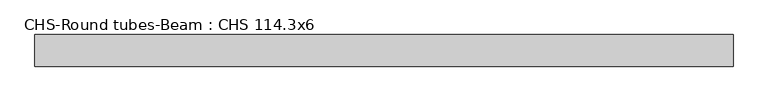
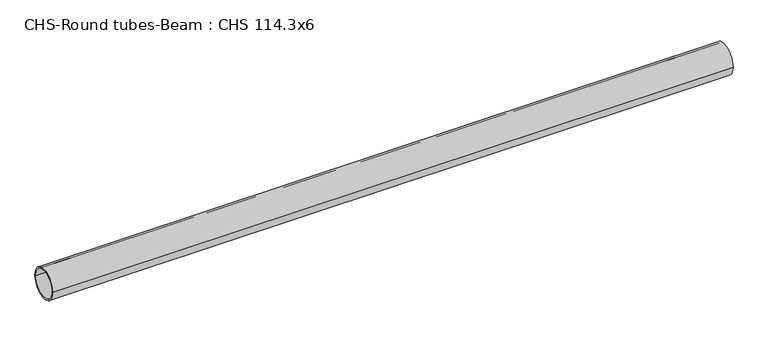
"""IFC4 building model written with IfcOpenShell, lengths in millimetres: beam geometry, CHS-Round tubes-Beam : CHS 114.3x6."""

import ifcopenshell
import ifcopenshell.guid

model = None  # the IFC model being written
_history = None  # IfcOwnerHistory: only IFC2X3 demands one
_inside = {}  # id of a spatial element -> (the spatial element, [elements in it])
_under = {}  # id of a project, library or spatial element -> (it, [spatial elements below it])
_declared = {}  # id of a project -> (the project, [libraries it declares])
_typed = {}  # id of a type object -> (the type object, [elements of that type])
_made_of = {}  # id of a material, layer set ... -> (it, [elements and type objects made of it])


def new_model(schema):
    """Start an empty IFC model of exactly this schema.

    Asked for "IFC4X3", IfcOpenShell would pick the latest addendum, in which some entities
    have other attributes; the version numbers below select the first issue.
    IFC2X3 requires an IfcOwnerHistory on every rooted entity: one is made here for all.
    """
    global model, _history
    if schema == "IFC4X3":
        model = ifcopenshell.file(schema_version=(4, 3, 0, 0))
    else:
        model = ifcopenshell.file(schema=schema)
    _inside.clear()
    _under.clear()
    _declared.clear()
    _typed.clear()
    _made_of.clear()
    _history = None
    if model.schema == "IFC2X3":
        org = make("IfcOrganization", Name="unknown")
        user = make(
            "IfcPersonAndOrganization",
            ThePerson=make("IfcPerson", FamilyName="unknown"),
            TheOrganization=org,
        )
        app = make(
            "IfcApplication",
            ApplicationDeveloper=org,
            Version="unknown",
            ApplicationFullName="unknown",
            ApplicationIdentifier="unknown",
        )
        _history = make(
            "IfcOwnerHistory",
            OwningUser=user,
            OwningApplication=app,
            ChangeAction="ADDED",
            CreationDate=0,
        )
    return model


def make(cls, **values):
    """One entity of the class cls with the attributes given. An attribute that is None is left unset."""
    return model.create_entity(
        cls, **{name: value for name, value in values.items() if value is not None}
    )


def rooted(cls, **values):
    """An entity with a GlobalId (a new one), such as an element, a storey or a relation."""
    return make(cls, GlobalId=ifcopenshell.guid.new(), OwnerHistory=_history, **values)


def si_unit(unit_type, name, prefix=None):
    """IfcSIUnit, for example si_unit("LENGTHUNIT", "METRE", prefix="MILLI")."""
    return make("IfcSIUnit", UnitType=unit_type, Prefix=prefix, Name=name)


def assignment(units):
    """IfcUnitAssignment: the units of a project."""
    return None if units is None else make("IfcUnitAssignment", Units=units)


def point(xyz):
    """IfcCartesianPoint."""
    return None if xyz is None else make("IfcCartesianPoint", Coordinates=xyz)


def direction(xyz):
    """IfcDirection."""
    return None if xyz is None else make("IfcDirection", DirectionRatios=xyz)


def frame(location, z_axis=None, x_axis=None):
    """IfcAxis2Placement3D, a coordinate frame: its origin and axes. An axis left out is left unset."""
    return make(
        "IfcAxis2Placement3D",
        Location=point(location),
        Axis=direction(z_axis),
        RefDirection=direction(x_axis),
    )


def frame_2d(location, x_axis=None):
    """IfcAxis2Placement2D, a coordinate frame in the plane: its origin and x axis."""
    return make(
        "IfcAxis2Placement2D", Location=point(location), RefDirection=direction(x_axis)
    )


def origin():
    """The frame at (0, 0, 0) with its axes left unset."""
    return frame((0.0, 0.0, 0.0))


def origin_2d():
    """The frame at (0, 0) in the plane with its x axis left unset."""
    return frame_2d((0.0, 0.0))


def place(relative_to, where):
    """IfcLocalPlacement: puts the frame where relative to a parent placement (None: the world)."""
    return make(
        "IfcLocalPlacement", PlacementRelTo=relative_to, RelativePlacement=where
    )


def context(
    kind, dimensions, precision=None, world=None, true_north=None, identifier=None
):
    """IfcGeometricRepresentationContext, for example the 3D "Model" context."""
    return make(
        "IfcGeometricRepresentationContext",
        ContextIdentifier=identifier,
        ContextType=kind,
        CoordinateSpaceDimension=dimensions,
        Precision=precision,
        WorldCoordinateSystem=world,
        TrueNorth=true_north,
    )


def project(units=None, contexts=None):
    """IfcProject with its units and contexts."""
    return rooted(
        "IfcProject",
        Name="project",
        RepresentationContexts=contexts,
        UnitsInContext=assignment(units),
    )


def spatial(cls, under=None, at=None, **own):
    """A site, building, storey or space (cls), placed at a placement, below another one or the project."""
    s = rooted(cls, ObjectPlacement=at, **own)
    if under is not None:
        _under.setdefault(under.id(), (under, []))[1].append(s)
    return s


def circle_curve(where, radius):
    """IfcCircle in the frame where."""
    return make("IfcCircle", Position=where, Radius=radius)


def trimmed(basis, trim1, trim2, sense, master):
    """IfcTrimmedCurve: the piece of a basis curve between two trims."""
    return make(
        "IfcTrimmedCurve",
        BasisCurve=basis,
        Trim1=trim1,
        Trim2=trim2,
        SenseAgreement=sense,
        MasterRepresentation=master,
    )


def segment(curve, same_sense, transition):
    """IfcCompositeCurveSegment."""
    return make(
        "IfcCompositeCurveSegment",
        Transition=transition,
        SameSense=same_sense,
        ParentCurve=curve,
    )


def composite_curve(segments, self_intersect=None):
    """IfcCompositeCurve: segments joined end to end."""
    return make("IfcCompositeCurve", Segments=segments, SelfIntersect=self_intersect)


def outline(outer, holes=None, kind="AREA"):
    """IfcArbitraryClosedProfileDef: a profile drawn as a closed curve; with holes, ...WithVoids."""
    if holes is None:
        return make("IfcArbitraryClosedProfileDef", ProfileType=kind, OuterCurve=outer)
    return make(
        "IfcArbitraryProfileDefWithVoids",
        ProfileType=kind,
        OuterCurve=outer,
        InnerCurves=holes,
    )


def extrude(swept, where, along, depth):
    """IfcExtrudedAreaSolid: the profile swept, set in the frame where, extruded along a direction by depth."""
    return make(
        "IfcExtrudedAreaSolid",
        SweptArea=swept,
        Position=where,
        ExtrudedDirection=direction(along),
        Depth=depth,
    )


def shape(context_of_items, identifier, shape_type, items):
    """IfcShapeRepresentation: the items that make up one representation, for example the "Body"."""
    return make(
        "IfcShapeRepresentation",
        ContextOfItems=context_of_items,
        RepresentationIdentifier=identifier,
        RepresentationType=shape_type,
        Items=items,
    )


def source(mapping_origin, context_of_items, identifier, shape_type, items):
    """IfcRepresentationMap: a shape defined once, which mapped items show again and again."""
    return make(
        "IfcRepresentationMap",
        MappingOrigin=mapping_origin,
        MappedRepresentation=shape(context_of_items, identifier, shape_type, items),
    )


def transform(
    local_origin,
    x_axis=None,
    y_axis=None,
    z_axis=None,
    scale=None,
    scale2=None,
    scale3=None,
    uniform=True,
):
    """IfcCartesianTransformationOperator3D, or its non-uniform kind. x_axis, y_axis, z_axis: its Axis1, 2, 3."""
    if uniform:
        return make(
            "IfcCartesianTransformationOperator3D",
            Axis1=direction(x_axis),
            Axis2=direction(y_axis),
            LocalOrigin=point(local_origin),
            Scale=scale,
            Axis3=direction(z_axis),
        )
    return make(
        "IfcCartesianTransformationOperator3DnonUniform",
        Axis1=direction(x_axis),
        Axis2=direction(y_axis),
        LocalOrigin=point(local_origin),
        Scale=scale,
        Axis3=direction(z_axis),
        Scale2=scale2,
        Scale3=scale3,
    )


def mapped(mapping_source, mapping_target):
    """IfcMappedItem: shows the shape of a source again, moved by a transform."""
    return make(
        "IfcMappedItem", MappingSource=mapping_source, MappingTarget=mapping_target
    )


def made_of(thing, what):
    """Note that an element or type object is made of a material, layer set ...; save() writes the relation."""
    if what is not None:
        _made_of.setdefault(what.id(), (what, []))[1].append(thing)
    return thing


def element(
    cls,
    number,
    at=None,
    inside=None,
    cuts=None,
    type_object=None,
    material=None,
    context=None,
    identifier="Body",
    shape_type=None,
    held_by="IfcProductDefinitionShape",
    body=None,
    shapes=None,
    **own,
):
    """One element of the class cls, such as IfcWall. Its Tag is "e" and its number.

    at: its placement. inside: the storey or other place that contains it. cuts: it is an
    opening in that element (IfcRelVoidsElement). A single representation is given by context,
    identifier, shape_type and body (its items); several are given by shapes. held_by: the class
    of the entity that holds the representations. save() writes the other relations.
    """
    e = rooted(cls, Tag="e%d" % number, ObjectPlacement=at, **own)
    if body is not None:
        shapes = [shape(context, identifier, shape_type, body)]
    if shapes is not None:
        e.Representation = make(held_by, Representations=shapes)
    if inside is not None:
        _inside.setdefault(inside.id(), (inside, []))[1].append(e)
    if cuts is not None:
        rooted(
            "IfcRelVoidsElement", RelatingBuildingElement=cuts, RelatedOpeningElement=e
        )
    if type_object is not None:
        _typed.setdefault(type_object.id(), (type_object, []))[1].append(e)
    return made_of(e, material)


def aggregate(whole, parts):
    """IfcRelAggregates: a whole, such as a stair, and the parts it consists of."""
    return rooted("IfcRelAggregates", RelatingObject=whole, RelatedObjects=parts)


def save(model, path):
    """Write the relations noted so far, then the file.

    IfcRelAggregates (storeys below a building ...), IfcRelContainedInSpatialStructure (elements
    in a storey), IfcRelDefinesByType, IfcRelAssociatesMaterial and IfcRelDeclares: one each for
    every whole, place, type object, material and project.
    """
    for whole, parts in _under.values():
        aggregate(whole, parts)
    for where, things in _inside.values():
        rooted(
            "IfcRelContainedInSpatialStructure",
            RelatedElements=things,
            RelatingStructure=where,
        )
    for kind, things in _typed.values():
        rooted("IfcRelDefinesByType", RelatedObjects=things, RelatingType=kind)
    for what, things in _made_of.values():
        rooted("IfcRelAssociatesMaterial", RelatedObjects=things, RelatingMaterial=what)
    for by, libraries in _declared.values():
        rooted("IfcRelDeclares", RelatingContext=by, RelatedDefinitions=libraries)
    model.write(path)


def chs_round_tubes_beam_chs_114_3x6_74462ed5(model_context):
    return source(origin(), model_context, "Body", "SweptSolid", [
        extrude(outline(composite_curve([segment(trimmed(circle_curve(origin_2d(), 57.15), [point((57.15, 0.0))], [point((-57.15, 0.0))], False, "CARTESIAN"), True, "CONTINUOUS"), segment(trimmed(circle_curve(origin_2d(), 57.15), [point((-57.15, 0.0))], [point((57.15, 0.0))], False, "CARTESIAN"), True, "CONTINUOUS")], self_intersect=False), holes=[composite_curve([segment(trimmed(circle_curve(origin_2d(), 51.15), [point((51.15, 0.0))], [point((-51.15, 0.0))], True, "CARTESIAN"), True, "CONTINUOUS"), segment(trimmed(circle_curve(origin_2d(), 51.15), [point((-51.15, 0.0))], [point((51.15, 0.0))], True, "CARTESIAN"), True, "CONTINUOUS")], self_intersect=False)]), frame((-1253.4822788, 0.0, 0.0), z_axis=(1.0, 0.0, 0.0), x_axis=(0.0, 1.0, 0.0)), (0.0, 0.0, 1.0), 2525.9439243),
    ])


if __name__ == "__main__":
    model = new_model("IFC4")
    model_context = context("Model", 3, world=origin())
    ifc_project = project(units=[si_unit("LENGTHUNIT", "METRE", prefix="MILLI")], contexts=[model_context])
    site = spatial("IfcSite", under=ifc_project)
    building = spatial("IfcBuilding", under=site)
    placement = place(None, origin())
    chs_round_tubes_beam_chs_114_3x6_shape = chs_round_tubes_beam_chs_114_3x6_74462ed5(model_context)
    element("IfcBeam", 1, ObjectType="CHS-Round tubes-Beam : CHS 114.3x6", at=placement, inside=building, context=model_context, shape_type="MappedRepresentation", body=[
        mapped(chs_round_tubes_beam_chs_114_3x6_shape, transform((0.0, 0.0, 0.0), x_axis=(1.0, 0.0, 0.0), y_axis=(0.0, 1.0, 0.0), z_axis=(0.0, 0.0, 1.0))),
    ])
    save(model, "model.ifc")
